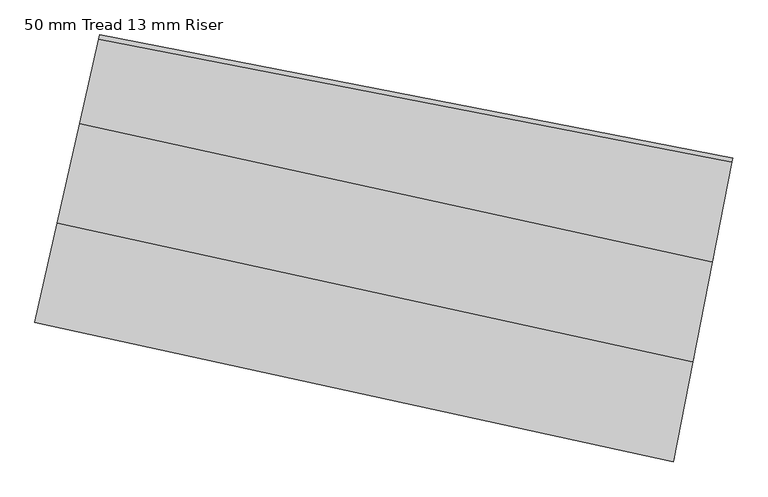
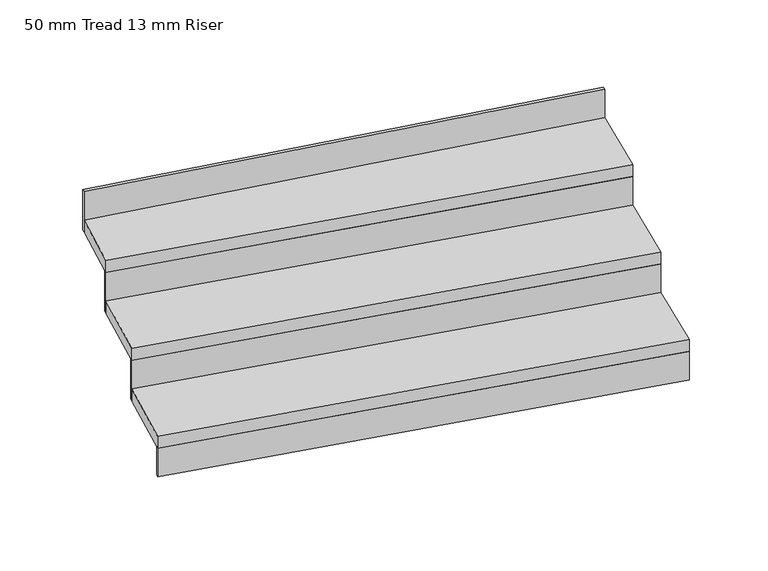
"""IFC4 building model written with IfcOpenShell, lengths in millimetres: stair flight geometry, 50 mm Tread 13 mm Riser."""

import ifcopenshell
import ifcopenshell.guid

model = None  # the IFC model being written
_history = None  # IfcOwnerHistory: only IFC2X3 demands one
_inside = {}  # id of a spatial element -> (the spatial element, [elements in it])
_under = {}  # id of a project, library or spatial element -> (it, [spatial elements below it])
_declared = {}  # id of a project -> (the project, [libraries it declares])
_typed = {}  # id of a type object -> (the type object, [elements of that type])
_made_of = {}  # id of a material, layer set ... -> (it, [elements and type objects made of it])


def new_model(schema):
    """Start an empty IFC model of exactly this schema.

    Asked for "IFC4X3", IfcOpenShell would pick the latest addendum, in which some entities
    have other attributes; the version numbers below select the first issue.
    IFC2X3 requires an IfcOwnerHistory on every rooted entity: one is made here for all.
    """
    global model, _history
    if schema == "IFC4X3":
        model = ifcopenshell.file(schema_version=(4, 3, 0, 0))
    else:
        model = ifcopenshell.file(schema=schema)
    _inside.clear()
    _under.clear()
    _declared.clear()
    _typed.clear()
    _made_of.clear()
    _history = None
    if model.schema == "IFC2X3":
        org = make("IfcOrganization", Name="unknown")
        user = make(
            "IfcPersonAndOrganization",
            ThePerson=make("IfcPerson", FamilyName="unknown"),
            TheOrganization=org,
        )
        app = make(
            "IfcApplication",
            ApplicationDeveloper=org,
            Version="unknown",
            ApplicationFullName="unknown",
            ApplicationIdentifier="unknown",
        )
        _history = make(
            "IfcOwnerHistory",
            OwningUser=user,
            OwningApplication=app,
            ChangeAction="ADDED",
            CreationDate=0,
        )
    return model


def make(cls, **values):
    """One entity of the class cls with the attributes given. An attribute that is None is left unset."""
    return model.create_entity(
        cls, **{name: value for name, value in values.items() if value is not None}
    )


def rooted(cls, **values):
    """An entity with a GlobalId (a new one), such as an element, a storey or a relation."""
    return make(cls, GlobalId=ifcopenshell.guid.new(), OwnerHistory=_history, **values)


def si_unit(unit_type, name, prefix=None):
    """IfcSIUnit, for example si_unit("LENGTHUNIT", "METRE", prefix="MILLI")."""
    return make("IfcSIUnit", UnitType=unit_type, Prefix=prefix, Name=name)


def assignment(units):
    """IfcUnitAssignment: the units of a project."""
    return None if units is None else make("IfcUnitAssignment", Units=units)


def point(xyz):
    """IfcCartesianPoint."""
    return None if xyz is None else make("IfcCartesianPoint", Coordinates=xyz)


def direction(xyz):
    """IfcDirection."""
    return None if xyz is None else make("IfcDirection", DirectionRatios=xyz)


def frame(location, z_axis=None, x_axis=None):
    """IfcAxis2Placement3D, a coordinate frame: its origin and axes. An axis left out is left unset."""
    return make(
        "IfcAxis2Placement3D",
        Location=point(location),
        Axis=direction(z_axis),
        RefDirection=direction(x_axis),
    )


def origin():
    """The frame at (0, 0, 0) with its axes left unset."""
    return frame((0.0, 0.0, 0.0))


def origin_with_axes():
    """The frame at (0, 0, 0) with the z axis (0, 0, 1) and the x axis (1, 0, 0) written out."""
    return frame((0.0, 0.0, 0.0), z_axis=(0.0, 0.0, 1.0), x_axis=(1.0, 0.0, 0.0))


def place(relative_to, where):
    """IfcLocalPlacement: puts the frame where relative to a parent placement (None: the world)."""
    return make(
        "IfcLocalPlacement", PlacementRelTo=relative_to, RelativePlacement=where
    )


def context(
    kind, dimensions, precision=None, world=None, true_north=None, identifier=None
):
    """IfcGeometricRepresentationContext, for example the 3D "Model" context."""
    return make(
        "IfcGeometricRepresentationContext",
        ContextIdentifier=identifier,
        ContextType=kind,
        CoordinateSpaceDimension=dimensions,
        Precision=precision,
        WorldCoordinateSystem=world,
        TrueNorth=true_north,
    )


def project(units=None, contexts=None):
    """IfcProject with its units and contexts."""
    return rooted(
        "IfcProject",
        Name="project",
        RepresentationContexts=contexts,
        UnitsInContext=assignment(units),
    )


def spatial(cls, under=None, at=None, **own):
    """A site, building, storey or space (cls), placed at a placement, below another one or the project."""
    s = rooted(cls, ObjectPlacement=at, **own)
    if under is not None:
        _under.setdefault(under.id(), (under, []))[1].append(s)
    return s


def polyline(points):
    """IfcPolyline through the points."""
    return make("IfcPolyline", Points=[point(p) for p in points])


def outline(outer, holes=None, kind="AREA"):
    """IfcArbitraryClosedProfileDef: a profile drawn as a closed curve; with holes, ...WithVoids."""
    if holes is None:
        return make("IfcArbitraryClosedProfileDef", ProfileType=kind, OuterCurve=outer)
    return make(
        "IfcArbitraryProfileDefWithVoids",
        ProfileType=kind,
        OuterCurve=outer,
        InnerCurves=holes,
    )


def extrude(swept, where, along, depth):
    """IfcExtrudedAreaSolid: the profile swept, set in the frame where, extruded along a direction by depth."""
    return make(
        "IfcExtrudedAreaSolid",
        SweptArea=swept,
        Position=where,
        ExtrudedDirection=direction(along),
        Depth=depth,
    )


def shape(context_of_items, identifier, shape_type, items):
    """IfcShapeRepresentation: the items that make up one representation, for example the "Body"."""
    return make(
        "IfcShapeRepresentation",
        ContextOfItems=context_of_items,
        RepresentationIdentifier=identifier,
        RepresentationType=shape_type,
        Items=items,
    )


def source(mapping_origin, context_of_items, identifier, shape_type, items):
    """IfcRepresentationMap: a shape defined once, which mapped items show again and again."""
    return make(
        "IfcRepresentationMap",
        MappingOrigin=mapping_origin,
        MappedRepresentation=shape(context_of_items, identifier, shape_type, items),
    )


def transform(
    local_origin,
    x_axis=None,
    y_axis=None,
    z_axis=None,
    scale=None,
    scale2=None,
    scale3=None,
    uniform=True,
):
    """IfcCartesianTransformationOperator3D, or its non-uniform kind. x_axis, y_axis, z_axis: its Axis1, 2, 3."""
    if uniform:
        return make(
            "IfcCartesianTransformationOperator3D",
            Axis1=direction(x_axis),
            Axis2=direction(y_axis),
            LocalOrigin=point(local_origin),
            Scale=scale,
            Axis3=direction(z_axis),
        )
    return make(
        "IfcCartesianTransformationOperator3DnonUniform",
        Axis1=direction(x_axis),
        Axis2=direction(y_axis),
        LocalOrigin=point(local_origin),
        Scale=scale,
        Axis3=direction(z_axis),
        Scale2=scale2,
        Scale3=scale3,
    )


def mapped(mapping_source, mapping_target):
    """IfcMappedItem: shows the shape of a source again, moved by a transform."""
    return make(
        "IfcMappedItem", MappingSource=mapping_source, MappingTarget=mapping_target
    )


def made_of(thing, what):
    """Note that an element or type object is made of a material, layer set ...; save() writes the relation."""
    if what is not None:
        _made_of.setdefault(what.id(), (what, []))[1].append(thing)
    return thing


def element(
    cls,
    number,
    at=None,
    inside=None,
    cuts=None,
    type_object=None,
    material=None,
    context=None,
    identifier="Body",
    shape_type=None,
    held_by="IfcProductDefinitionShape",
    body=None,
    shapes=None,
    **own,
):
    """One element of the class cls, such as IfcWall. Its Tag is "e" and its number.

    at: its placement. inside: the storey or other place that contains it. cuts: it is an
    opening in that element (IfcRelVoidsElement). A single representation is given by context,
    identifier, shape_type and body (its items); several are given by shapes. held_by: the class
    of the entity that holds the representations. save() writes the other relations.
    """
    e = rooted(cls, Tag="e%d" % number, ObjectPlacement=at, **own)
    if body is not None:
        shapes = [shape(context, identifier, shape_type, body)]
    if shapes is not None:
        e.Representation = make(held_by, Representations=shapes)
    if inside is not None:
        _inside.setdefault(inside.id(), (inside, []))[1].append(e)
    if cuts is not None:
        rooted(
            "IfcRelVoidsElement", RelatingBuildingElement=cuts, RelatedOpeningElement=e
        )
    if type_object is not None:
        _typed.setdefault(type_object.id(), (type_object, []))[1].append(e)
    return made_of(e, material)


def aggregate(whole, parts):
    """IfcRelAggregates: a whole, such as a stair, and the parts it consists of."""
    return rooted("IfcRelAggregates", RelatingObject=whole, RelatedObjects=parts)


def save(model, path):
    """Write the relations noted so far, then the file.

    IfcRelAggregates (storeys below a building ...), IfcRelContainedInSpatialStructure (elements
    in a storey), IfcRelDefinesByType, IfcRelAssociatesMaterial and IfcRelDeclares: one each for
    every whole, place, type object, material and project.
    """
    for whole, parts in _under.values():
        aggregate(whole, parts)
    for where, things in _inside.values():
        rooted(
            "IfcRelContainedInSpatialStructure",
            RelatedElements=things,
            RelatingStructure=where,
        )
    for kind, things in _typed.values():
        rooted("IfcRelDefinesByType", RelatedObjects=things, RelatingType=kind)
    for what, things in _made_of.values():
        rooted("IfcRelAssociatesMaterial", RelatedObjects=things, RelatingMaterial=what)
    for by, libraries in _declared.values():
        rooted("IfcRelDeclares", RelatingContext=by, RelatedDefinitions=libraries)
    model.write(path)


def stair_flight_50_mm_tread_13_mm_riser_5d50107c(model_context):
    return source(origin(), model_context, "Body", "SweptSolid", [
        extrude(outline(polyline([(-245662.563679, -61359.4398966), (-245664.9597163, -61371.7113301), (-247544.9800466, -60960.5316594), (-247542.2251237, -60948.3387179), (-245662.563679, -61359.4398966)])), origin_with_axes(), (0.0, 0.0, 1.0), 120.0),
        extrude(outline(polyline([(-247478.8618957, -60667.9010619), (-245607.4548212, -61077.1969255), (-245664.9597163, -61371.7113301), (-247544.9800466, -60960.5316594), (-247478.8618957, -60667.9010619)])), frame((0.0, 0.0, 120.0), z_axis=(0.0, 0.0, 1.0), x_axis=(1.0, 0.0, 0.0)), (0.0, 0.0, 1.0), 50.0),
        extrude(outline(polyline([(-245605.0587839, -61064.9254919), (-245607.4548212, -61077.1969255), (-247478.8618957, -60667.9010619), (-247476.1069727, -60655.7081204), (-245605.0587839, -61064.9254919)])), frame((0.0, 0.0, 120.0), z_axis=(0.0, 0.0, 1.0), x_axis=(1.0, 0.0, 0.0)), (0.0, 0.0, 1.0), 170.0),
        extrude(outline(polyline([(-247412.7437447, -60375.2704644), (-245549.9499261, -60782.6825208), (-245607.4548212, -61077.1969255), (-247478.8618957, -60667.9010619), (-247412.7437447, -60375.2704644)])), frame((0.0, 0.0, 290.0), z_axis=(0.0, 0.0, 1.0), x_axis=(1.0, 0.0, 0.0)), (0.0, 0.0, 1.0), 50.0),
        extrude(outline(polyline([(-245547.5538888, -60770.4110873), (-245549.9499261, -60782.6825208), (-247412.7437447, -60375.2704644), (-247409.9888218, -60363.0775229), (-245547.5538888, -60770.4110873)])), frame((0.0, 0.0, 290.0), z_axis=(0.0, 0.0, 1.0), x_axis=(1.0, 0.0, 0.0)), (0.0, 0.0, 1.0), 170.0),
        extrude(outline(polyline([(-245490.2699628, -60477.0283879), (-245492.6653943, -60489.2967184), (-247356.4658205, -60126.1914693), (-247353.7097391, -60113.9934005), (-245490.2699628, -60477.0283879)])), frame((0.0, 0.0, 460.0), z_axis=(0.0, 0.0, 1.0), x_axis=(1.0, 0.0, 0.0)), (0.0, 0.0, 1.0), 170.0),
        extrude(outline(polyline([(-247356.4658205, -60126.1914693), (-245492.6653943, -60489.2967184), (-245549.9499261, -60782.6825208), (-247412.7437447, -60375.2704644), (-247356.4658205, -60126.1914693)])), frame((0.0, 0.0, 460.0), z_axis=(0.0, 0.0, 1.0), x_axis=(1.0, 0.0, 0.0)), (0.0, 0.0, 1.0), 50.0),
    ])


if __name__ == "__main__":
    model = new_model("IFC4")
    model_context = context("Model", 3, world=origin())
    ifc_project = project(units=[si_unit("LENGTHUNIT", "METRE", prefix="MILLI")], contexts=[model_context])
    site = spatial("IfcSite", under=ifc_project)
    building = spatial("IfcBuilding", under=site)
    placement = place(None, origin())
    stair_flight_50_mm_tread_13_mm_riser_shape = stair_flight_50_mm_tread_13_mm_riser_5d50107c(model_context)
    element("IfcStairFlight", 1, ObjectType="50 mm Tread 13 mm Riser", at=placement, inside=building, context=model_context, shape_type="MappedRepresentation", body=[
        mapped(stair_flight_50_mm_tread_13_mm_riser_shape, transform((0.0, 0.0, 0.0), x_axis=(1.0, 0.0, 0.0), y_axis=(0.0, 1.0, 0.0), z_axis=(0.0, 0.0, 1.0))),
    ])
    save(model, "model.ifc")
